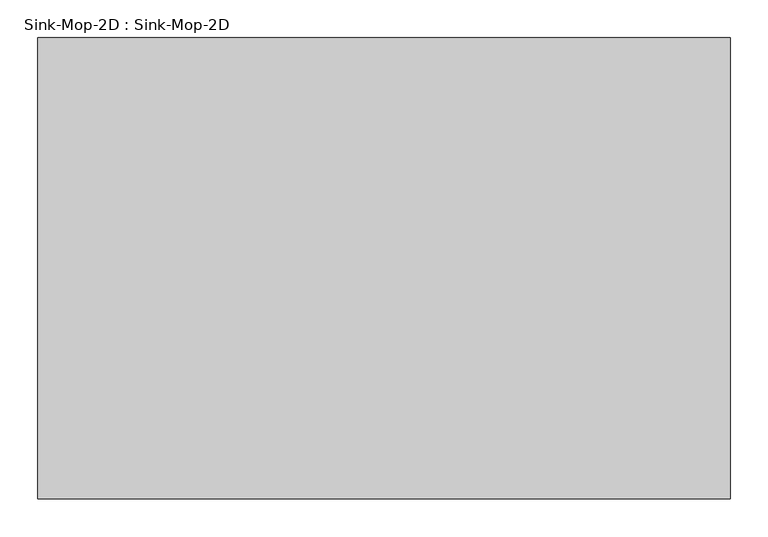
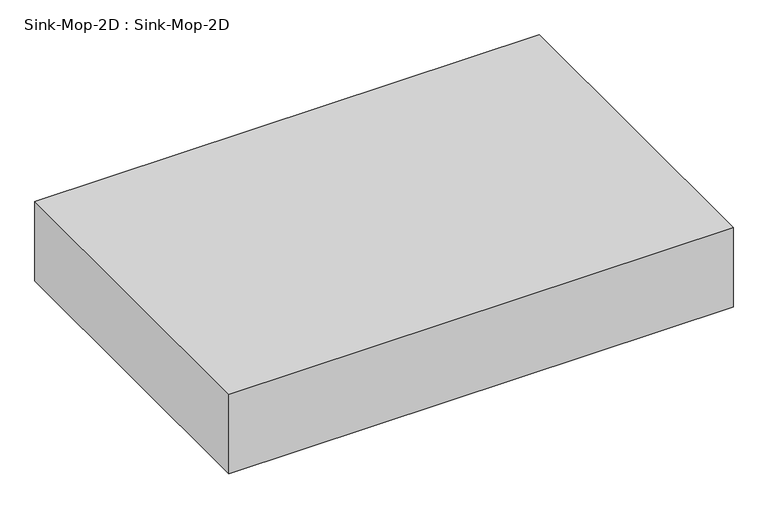
"""IFC4 building model written with IfcOpenShell, lengths in millimetres: flow terminal geometry, Sink-Mop-2D : Sink-Mop-2D."""

from ifc_helpers import new_model, si_unit, origin, origin_with_axes, place, context, project, spatial, polyline, outline, extrude, source, transform, mapped, element, save


def sink_mop_2d_sink_mop_2d_1d5161cf(model_context):
    return source(origin(), model_context, "Body", "SweptSolid", [
        extrude(outline(polyline([(914.4, 0.0), (914.4, -609.6), (0.0, -609.6), (0.0, 0.0), (914.4, 0.0)])), origin_with_axes(), (0.0, 0.0, 1.0), 152.4),
    ])


if __name__ == "__main__":
    model = new_model("IFC4")
    model_context = context("Model", 3, world=origin())
    ifc_project = project(units=[si_unit("LENGTHUNIT", "METRE", prefix="MILLI")], contexts=[model_context])
    site = spatial("IfcSite", under=ifc_project)
    building = spatial("IfcBuilding", under=site)
    placement = place(None, origin())
    sink_mop_2d_sink_mop_2d_shape = sink_mop_2d_sink_mop_2d_1d5161cf(model_context)
    element("IfcFlowTerminal", 1, ObjectType="Sink-Mop-2D : Sink-Mop-2D", at=placement, inside=building, context=model_context, shape_type="MappedRepresentation", body=[
        mapped(sink_mop_2d_sink_mop_2d_shape, transform((0.0, 0.0, 0.0), x_axis=(1.0, 0.0, 0.0), y_axis=(0.0, 1.0, 0.0), z_axis=(0.0, 0.0, 1.0))),
    ])
    save(model, "model.ifc")
